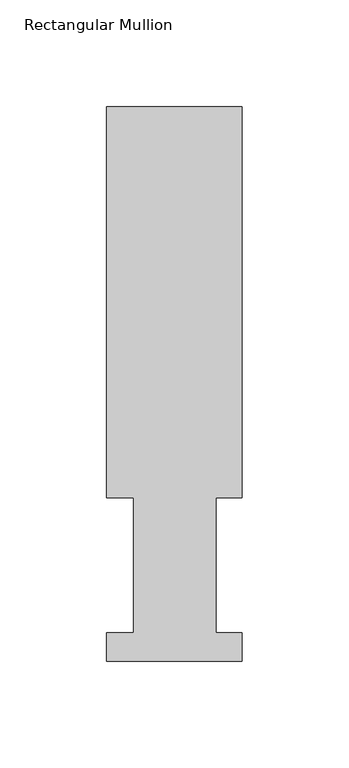
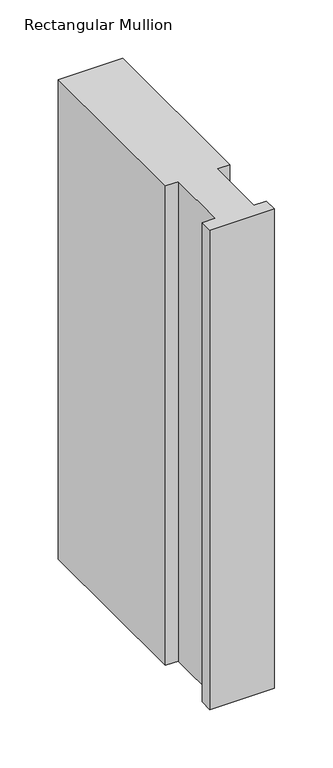
"""IFC4 building model written with IfcOpenShell, lengths in millimetres: member geometry, Rectangular Mullion."""

from ifc_helpers import new_model, si_unit, frame, origin, place, context, project, spatial, polyline, outline, extrude, source, transform, mapped, element, save


def rectangular_mullion_bd0f8902(model_context):
    return source(origin(), model_context, "Body", "SweptSolid", [
        extrude(outline(polyline([(-63.5, 76.2992187), (-63.5, 259.4591074), (0.0, 259.4591074), (0.0, 76.2992187), (-12.3418395, 76.2992187), (-12.3418395, 13.1492189), (0.0, 13.1492189), (0.0, -0.0333811), (-63.5, -0.0333811), (-63.5, 13.1492189), (-50.8, 13.1492189), (-50.8, 76.2992187), (-63.5, 76.2992187)])), frame((0.0, 0.0, -501.1081303), z_axis=(0.0, 0.0, 1.0), x_axis=(1.0, 0.0, 0.0)), (0.0, 0.0, 1.0), 501.1081303),
    ])


if __name__ == "__main__":
    model = new_model("IFC4")
    model_context = context("Model", 3, world=origin())
    ifc_project = project(units=[si_unit("LENGTHUNIT", "METRE", prefix="MILLI")], contexts=[model_context])
    site = spatial("IfcSite", under=ifc_project)
    building = spatial("IfcBuilding", under=site)
    placement = place(None, origin())
    rectangular_mullion_shape = rectangular_mullion_bd0f8902(model_context)
    element("IfcMember", 1, ObjectType="Rectangular Mullion", at=placement, inside=building, context=model_context, shape_type="MappedRepresentation", body=[
        mapped(rectangular_mullion_shape, transform((0.0, 0.0, 0.0), x_axis=(1.0, 0.0, 0.0), y_axis=(0.0, 1.0, 0.0), z_axis=(0.0, 0.0, 1.0))),
    ])
    save(model, "model.ifc")
